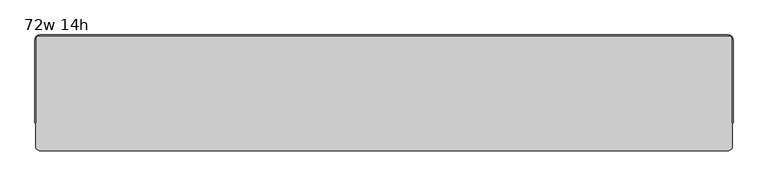
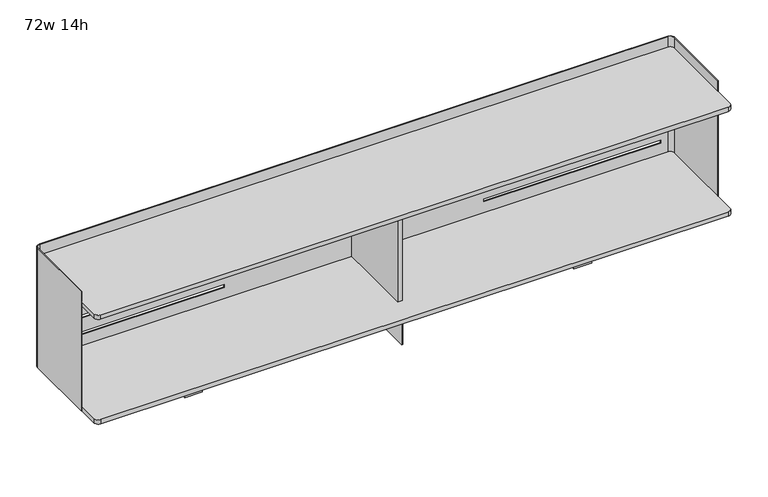
"""IFC4 building model written with IfcOpenShell, lengths in millimetres: furniture geometry, 72w 14h."""

from ifc_helpers import new_model, si_unit, point, frame, frame_2d, origin, place, context, project, spatial, polyline, circle_curve, trimmed, segment, composite_curve, outline, extrude, source, transform, mapped, element, save
from ifc_brep_helpers import plane_surface, cylinder_surface, revolved_surface, advanced_brep


def furniture_72w_14h_eeaef5ca(model_context):
    return source(origin(), model_context, "Body", "SolidModel", [
        extrude(outline(polyline([(6.35, 493.7125), (6.35, 265.1125), (-6.35, 265.1125), (-6.35, 493.7125), (6.35, 493.7125)])), frame((0.0, 0.0, 860.4250242), z_axis=(0.0, 0.0, 1.0), x_axis=(1.0, 0.0, 0.0)), (0.0, 0.0, 1.0), 305.387343),
        advanced_brep(
        [(-912.8125, 482.6, 1209.675), (-901.7, 493.7125, 1209.675), (901.7, 493.7125, 1209.675), (912.8125, 482.6, 1209.675), (912.8125, 265.1125, 1209.675), (914.4, 265.1125, 1209.675), (914.4, 482.6, 1209.675), (901.7, 495.3, 1209.675), (-901.7, 495.3, 1209.675), (-914.4, 482.6, 1209.675), (-914.4, 265.1125, 1209.675), (-912.8125, 265.1125, 1209.675), (-912.8125, 482.6, 847.725), (-912.8125, 265.1125, 847.725), (-914.4, 265.1125, 847.725), (-914.4, 482.6, 847.725), (-901.7, 495.3, 847.725), (901.7, 495.3, 847.725), (914.4, 482.6, 847.725), (914.4, 265.1125, 847.725), (912.8125, 265.1125, 847.725), (912.8125, 482.6, 847.725), (901.7, 493.7125, 847.725), (-901.7, 493.7125, 847.725), (880.3639961, 493.7125, 902.4144186), (880.3639961, 493.7125, 894.1593992), (372.3639961, 493.7125, 894.1593992), (372.3639961, 493.7125, 902.4144186), (880.3639961, 493.7125, 1004.0143944), (880.3639961, 493.7125, 995.759375), (372.3639961, 493.7125, 995.759375), (372.3639961, 493.7125, 1004.0143944), (880.3639961, 493.7125, 953.2144065), (880.3639961, 493.7125, 944.9593871), (372.3639961, 493.7125, 944.9593871), (372.3639961, 493.7125, 953.2144065), (-880.3639961, 493.7125, 894.1593992), (-880.3639961, 493.7125, 902.4144186), (-372.3639961, 493.7125, 902.4144186), (-372.3639961, 493.7125, 894.1593992), (-880.3639961, 493.7125, 995.759375), (-880.3639961, 493.7125, 1004.0143944), (-372.3639961, 493.7125, 1004.0143944), (-372.3639961, 493.7125, 995.759375), (-880.3639961, 493.7125, 944.9593871), (-880.3639961, 493.7125, 953.2144065), (-372.3639961, 493.7125, 953.2144065), (-372.3639961, 493.7125, 944.9593871), (880.3639961, 495.3, 894.1593992), (880.3639961, 495.3, 902.4144186), (372.3639961, 495.3, 902.4144186), (372.3639961, 495.3, 894.1593992), (880.3639961, 495.3, 995.759375), (880.3639961, 495.3, 1004.0143944), (372.3639961, 495.3, 1004.0143944), (372.3639961, 495.3, 995.759375), (880.3639961, 495.3, 944.9593871), (880.3639961, 495.3, 953.2144065), (372.3639961, 495.3, 953.2144065), (372.3639961, 495.3, 944.9593871), (-880.3639961, 495.3, 902.4144186), (-880.3639961, 495.3, 894.1593992), (-372.3639961, 495.3, 894.1593992), (-372.3639961, 495.3, 902.4144186), (-880.3639961, 495.3, 1004.0143944), (-880.3639961, 495.3, 995.759375), (-372.3639961, 495.3, 995.759375), (-372.3639961, 495.3, 1004.0143944), (-880.3639961, 495.3, 953.2144065), (-880.3639961, 495.3, 944.9593871), (-372.3639961, 495.3, 944.9593871), (-372.3639961, 495.3, 953.2144065)],
        [
            (0, 1, circle_curve(frame((-901.7, 482.6, 1209.675), z_axis=(0.0, 0.0, -1.0), x_axis=(1.0, 0.0, 0.0)), 11.1125)),
            (1, 2),
            (2, 3, circle_curve(frame((901.7, 482.6, 1209.675), z_axis=(0.0, 0.0, -1.0), x_axis=(1.0, 0.0, 0.0)), 11.1125)),
            (3, 4),
            (4, 5),
            (5, 6),
            (6, 7, circle_curve(frame((901.7, 482.6, 1209.675), z_axis=(0.0, 0.0, 1.0), x_axis=(1.0, 0.0, 0.0)), 12.7)),
            (7, 8),
            (8, 9, circle_curve(frame((-901.7, 482.6, 1209.675), z_axis=(0.0, 0.0, 1.0), x_axis=(1.0, 0.0, 0.0)), 12.7)),
            (9, 10),
            (10, 11),
            (11, 0),
            (12, 13),
            (13, 14),
            (14, 15),
            (15, 16, circle_curve(frame((-901.7, 482.6, 847.725), z_axis=(0.0, 0.0, -1.0), x_axis=(1.0, 0.0, 0.0)), 12.7)),
            (16, 17),
            (17, 18, circle_curve(frame((901.7, 482.6, 847.725), z_axis=(0.0, 0.0, -1.0), x_axis=(1.0, 0.0, 0.0)), 12.7)),
            (18, 19),
            (19, 20),
            (20, 21),
            (21, 22, circle_curve(frame((901.7, 482.6, 847.725), z_axis=(0.0, 0.0, 1.0), x_axis=(1.0, 0.0, 0.0)), 11.1125)),
            (22, 23),
            (23, 12, circle_curve(frame((-901.7, 482.6, 847.725), z_axis=(0.0, 0.0, 1.0), x_axis=(1.0, 0.0, 0.0)), 11.1125)),
            (0, 12),
            (23, 1),
            (22, 2),
            (24, 25),
            (25, 26),
            (26, 27),
            (27, 24),
            (28, 29),
            (29, 30),
            (30, 31),
            (31, 28),
            (32, 33),
            (33, 34),
            (34, 35),
            (35, 32),
            (36, 37),
            (37, 38),
            (38, 39),
            (39, 36),
            (40, 41),
            (41, 42),
            (42, 43),
            (43, 40),
            (44, 45),
            (45, 46),
            (46, 47),
            (47, 44),
            (7, 17),
            (16, 8),
            (48, 49),
            (49, 50),
            (50, 51),
            (51, 48),
            (52, 53),
            (53, 54),
            (54, 55),
            (55, 52),
            (56, 57),
            (57, 58),
            (58, 59),
            (59, 56),
            (60, 61),
            (61, 62),
            (62, 63),
            (63, 60),
            (64, 65),
            (65, 66),
            (66, 67),
            (67, 64),
            (68, 69),
            (69, 70),
            (70, 71),
            (71, 68),
            (15, 9),
            (14, 10),
            (13, 11),
            (21, 3),
            (20, 4),
            (19, 5),
            (18, 6),
            (24, 49),
            (48, 25),
            (51, 26),
            (50, 27),
            (28, 53),
            (52, 29),
            (55, 30),
            (54, 31),
            (32, 57),
            (56, 33),
            (59, 34),
            (58, 35),
            (36, 61),
            (60, 37),
            (39, 62),
            (38, 63),
            (40, 65),
            (64, 41),
            (43, 66),
            (42, 67),
            (44, 69),
            (68, 45),
            (47, 70),
            (46, 71),
        ],
        [
            plane_surface(frame((-890.5875, 482.6, 1209.675), z_axis=(0.0, 0.0, 1.0), x_axis=(0.0, -1.0, 0.0))),
            plane_surface(frame((-890.5875, 482.6, 847.725), z_axis=(0.0, 0.0, -1.0), x_axis=(0.0, 1.0, 0.0))),
            revolved_surface(polyline([(-890.5875000000001, 482.6, 847.725), (-890.5875000000001, 482.6, 1209.675)]), (-901.7, 482.6, 847.725), (0.0, 0.0, -1.0)),
            plane_surface(frame((-901.7, 493.7125, 1209.675), z_axis=(0.0, -1.0, 0.0), x_axis=(0.0, 0.0, -1.0))),
            plane_surface(frame((901.7, 495.3, 1209.675), z_axis=(0.0, 1.0, 0.0), x_axis=(0.0, 0.0, -1.0))),
            cylinder_surface(frame((-901.7, 482.6, 847.725), z_axis=(0.0, 0.0, 1.0), x_axis=(1.0, 0.0, 0.0)), 12.7),
            plane_surface(frame((-914.4, 482.6, 1209.675), z_axis=(-1.0, 0.0, 0.0), x_axis=(0.0, 0.0, -1.0))),
            plane_surface(frame((-914.4, 265.1125, 1209.675), z_axis=(0.0, -1.0, 0.0), x_axis=(0.0, 0.0, -1.0))),
            plane_surface(frame((-912.8125, 265.1125, 1209.675), z_axis=(1.0, 0.0, 0.0), x_axis=(0.0, 0.0, -1.0))),
            revolved_surface(polyline([(912.8125, 482.6, 847.725), (912.8125, 482.6, 1209.675)]), (901.7, 482.6, 847.725), (0.0, 0.0, -1.0)),
            plane_surface(frame((912.8125, 482.6, 1209.675), z_axis=(-1.0, 0.0, 0.0), x_axis=(0.0, 0.0, -1.0))),
            plane_surface(frame((912.8125, 265.1125, 1209.675), z_axis=(0.0, -1.0, 0.0), x_axis=(0.0, 0.0, -1.0))),
            plane_surface(frame((914.4, 265.1125, 1209.675), z_axis=(1.0, 0.0, 0.0), x_axis=(0.0, 0.0, -1.0))),
            cylinder_surface(frame((901.7, 482.6, 847.725), z_axis=(0.0, 0.0, 1.0), x_axis=(1.0, 0.0, 0.0)), 12.7),
            plane_surface(frame((880.3639961, 553.8218239, 902.4144186), z_axis=(-1.0, 0.0, 0.0), x_axis=(0.0, -1.0, 0.0))),
            plane_surface(frame((880.3639961, 553.8218239, 894.1593992), z_axis=(0.0, 0.0, 1.0), x_axis=(0.0, -1.0, 0.0))),
            plane_surface(frame((372.3639961, 553.8218239, 894.1593992), z_axis=(1.0, 0.0, 0.0), x_axis=(0.0, -1.0, 0.0))),
            plane_surface(frame((372.3639961, 553.8218239, 902.4144186), z_axis=(0.0, 0.0, -1.0), x_axis=(0.0, -1.0, 0.0))),
            plane_surface(frame((880.3639961, 553.8218239, 1004.0143944), z_axis=(-1.0, 0.0, 0.0), x_axis=(0.0, -1.0, 0.0))),
            plane_surface(frame((880.3639961, 553.8218239, 995.759375), z_axis=(0.0, 0.0, 1.0), x_axis=(0.0, -1.0, 0.0))),
            plane_surface(frame((372.3639961, 553.8218239, 995.759375), z_axis=(1.0, 0.0, 0.0), x_axis=(0.0, -1.0, 0.0))),
            plane_surface(frame((372.3639961, 553.8218239, 1004.0143944), z_axis=(0.0, 0.0, -1.0), x_axis=(0.0, -1.0, 0.0))),
            plane_surface(frame((880.3639961, 553.8218239, 953.2144065), z_axis=(-1.0, 0.0, 0.0), x_axis=(0.0, -1.0, 0.0))),
            plane_surface(frame((880.3639961, 553.8218239, 944.9593871), z_axis=(0.0, 0.0, 1.0), x_axis=(0.0, -1.0, 0.0))),
            plane_surface(frame((372.3639961, 553.8218239, 944.9593871), z_axis=(1.0, 0.0, 0.0), x_axis=(0.0, -1.0, 0.0))),
            plane_surface(frame((372.3639961, 553.8218239, 953.2144065), z_axis=(0.0, 0.0, -1.0), x_axis=(0.0, -1.0, 0.0))),
            plane_surface(frame((-880.3639961, 553.8218239, 894.1593992), z_axis=(1.0, 0.0, 0.0), x_axis=(0.0, -1.0, 0.0))),
            plane_surface(frame((-372.3639961, 553.8218239, 894.1593992), z_axis=(0.0, 0.0, 1.0), x_axis=(0.0, -1.0, 0.0))),
            plane_surface(frame((-372.3639961, 553.8218239, 902.4144186), z_axis=(-1.0, 0.0, 0.0), x_axis=(0.0, -1.0, 0.0))),
            plane_surface(frame((-880.3639961, 553.8218239, 902.4144186), z_axis=(0.0, 0.0, -1.0), x_axis=(0.0, -1.0, 0.0))),
            plane_surface(frame((-880.3639961, 553.8218239, 995.759375), z_axis=(1.0, 0.0, 0.0), x_axis=(0.0, -1.0, 0.0))),
            plane_surface(frame((-372.3639961, 553.8218239, 995.759375), z_axis=(0.0, 0.0, 1.0), x_axis=(0.0, -1.0, 0.0))),
            plane_surface(frame((-372.3639961, 553.8218239, 1004.0143944), z_axis=(-1.0, 0.0, 0.0), x_axis=(0.0, -1.0, 0.0))),
            plane_surface(frame((-880.3639961, 553.8218239, 1004.0143944), z_axis=(0.0, 0.0, -1.0), x_axis=(0.0, -1.0, 0.0))),
            plane_surface(frame((-880.3639961, 553.8218239, 944.9593871), z_axis=(1.0, 0.0, 0.0), x_axis=(0.0, -1.0, 0.0))),
            plane_surface(frame((-372.3639961, 553.8218239, 944.9593871), z_axis=(0.0, 0.0, 1.0), x_axis=(0.0, -1.0, 0.0))),
            plane_surface(frame((-372.3639961, 553.8218239, 953.2144065), z_axis=(-1.0, 0.0, 0.0), x_axis=(0.0, -1.0, 0.0))),
            plane_surface(frame((-880.3639961, 553.8218239, 953.2144065), z_axis=(0.0, 0.0, -1.0), x_axis=(0.0, -1.0, 0.0))),
        ],
        [
            (0, [[1, 2, 3, 4, 5, 6, 7, 8, 9, 10, 11, 12]]),
            (1, [[13, 14, 15, 16, 17, 18, 19, 20, 21, 22, 23, 24]]),
            (2, [[-1, 25, -24, 26]]),
            (3, [[-2, -26, -23, 27], [28, 29, 30, 31], [32, 33, 34, 35], [36, 37, 38, 39], [40, 41, 42, 43], [44, 45, 46, 47], [48, 49, 50, 51]]),
            (4, [[-8, 52, -17, 53], [54, 55, 56, 57], [58, 59, 60, 61], [62, 63, 64, 65], [66, 67, 68, 69], [70, 71, 72, 73], [74, 75, 76, 77]]),
            (5, [[-9, -53, -16, 78]]),
            (6, [[-10, -78, -15, 79]]),
            (7, [[-11, -79, -14, 80]]),
            (8, [[-12, -80, -13, -25]]),
            (9, [[-3, -27, -22, 81]]),
            (10, [[-4, -81, -21, 82]]),
            (11, [[-5, -82, -20, 83]]),
            (12, [[-6, -83, -19, 84]]),
            (13, [[-7, -84, -18, -52]]),
            (14, [[85, -54, 86, -28]]),
            (15, [[-86, -57, 87, -29]]),
            (16, [[-87, -56, 88, -30]]),
            (17, [[-85, -31, -88, -55]]),
            (18, [[89, -58, 90, -32]]),
            (19, [[-90, -61, 91, -33]]),
            (20, [[-91, -60, 92, -34]]),
            (21, [[-89, -35, -92, -59]]),
            (22, [[93, -62, 94, -36]]),
            (23, [[-94, -65, 95, -37]]),
            (24, [[-95, -64, 96, -38]]),
            (25, [[-93, -39, -96, -63]]),
            (26, [[97, -66, 98, -40]]),
            (27, [[-97, -43, 99, -67]]),
            (28, [[-99, -42, 100, -68]]),
            (29, [[-100, -41, -98, -69]]),
            (30, [[101, -70, 102, -44]]),
            (31, [[-101, -47, 103, -71]]),
            (32, [[-103, -46, 104, -72]]),
            (33, [[-104, -45, -102, -73]]),
            (34, [[105, -74, 106, -48]]),
            (35, [[-105, -51, 107, -75]]),
            (36, [[-107, -50, 108, -76]]),
            (37, [[-108, -49, -106, -77]]),
        ],
    ),
        extrude(outline(polyline([(-533.4, 361.95), (-533.4, 323.453125), (-584.2, 323.453125), (-584.2, 361.95), (-533.4, 361.95)])), frame((0.0, 0.0, 736.6), z_axis=(0.0, 0.0, 1.0), x_axis=(1.0, 0.0, 0.0)), (0.0, 0.0, 1.0), 111.125),
        extrude(outline(polyline([(533.4, 361.95), (584.2, 361.95), (584.2, 323.453125), (533.4, 323.453125), (533.4, 361.95)])), frame((0.0, 0.0, 736.6), z_axis=(0.0, 0.0, 1.0), x_axis=(1.0, 0.0, 0.0)), (0.0, 0.0, 1.0), 111.125),
        extrude(outline(polyline([(1.5875, 433.3841935), (1.5875, 252.4158065), (-1.5875, 252.4158065), (-1.5875, 433.3841935), (1.5875, 433.3841935)])), frame((0.0, 0.0, 736.6), z_axis=(0.0, 0.0, 1.0), x_axis=(1.0, 0.0, 0.0)), (0.0, 0.0, 1.0), 111.125),
        extrude(outline(composite_curve([segment(trimmed(circle_curve(frame_2d((900.1125, 481.0125)), 12.7), [point((900.1125, 493.7125))], [point((912.8125, 481.0125))], False, "CARTESIAN"), True, "CONTINUOUS"), segment(polyline([(912.8125, 481.0125), (912.8125, 204.7875)]), True, "CONTINUOUS"), segment(trimmed(circle_curve(frame_2d((900.1125, 204.7875)), 12.7), [point((912.8125, 204.7875))], [point((900.1125, 192.0875))], False, "CARTESIAN"), True, "CONTINUOUS"), segment(polyline([(900.1125, 192.0875), (-900.1125, 192.0875)]), True, "CONTINUOUS"), segment(trimmed(circle_curve(frame_2d((-900.1125, 204.7875)), 12.7), [point((-900.1125, 192.0875))], [point((-912.8125, 204.7875))], False, "CARTESIAN"), True, "CONTINUOUS"), segment(polyline([(-912.8125, 204.7875), (-912.8125, 481.0125)]), True, "CONTINUOUS"), segment(trimmed(circle_curve(frame_2d((-900.1125, 481.0125)), 12.7), [point((-912.8125, 481.0125))], [point((-900.1125, 493.7125))], False, "CARTESIAN"), True, "CONTINUOUS"), segment(polyline([(-900.1125, 493.7125), (900.1125, 493.7125)]), True, "CONTINUOUS")], self_intersect=False)), frame((0.0, 0.0, 1165.8123672), z_axis=(0.0, 0.0, 1.0), x_axis=(1.0, 0.0, 0.0)), (0.0, 0.0, 1.0), 12.7000242),
        extrude(outline(composite_curve([segment(trimmed(circle_curve(frame_2d((900.1125, 481.0125)), 12.7), [point((900.1125, 493.7125))], [point((912.8125, 481.0125))], False, "CARTESIAN"), True, "CONTINUOUS"), segment(polyline([(912.8125, 481.0125), (912.8125, 204.7875)]), True, "CONTINUOUS"), segment(trimmed(circle_curve(frame_2d((900.1125, 204.7875)), 12.7), [point((912.8125, 204.7875))], [point((900.1125, 192.0875))], False, "CARTESIAN"), True, "CONTINUOUS"), segment(polyline([(900.1125, 192.0875), (-900.1125, 192.0875)]), True, "CONTINUOUS"), segment(trimmed(circle_curve(frame_2d((-900.1125, 204.7875)), 12.7), [point((-900.1125, 192.0875))], [point((-912.8125, 204.7875))], False, "CARTESIAN"), True, "CONTINUOUS"), segment(polyline([(-912.8125, 204.7875), (-912.8125, 481.0125)]), True, "CONTINUOUS"), segment(trimmed(circle_curve(frame_2d((-900.1125, 481.0125)), 12.7), [point((-912.8125, 481.0125))], [point((-900.1125, 493.7125))], False, "CARTESIAN"), True, "CONTINUOUS"), segment(polyline([(-900.1125, 493.7125), (900.1125, 493.7125)]), True, "CONTINUOUS")], self_intersect=False)), frame((0.0, 0.0, 847.725), z_axis=(0.0, 0.0, 1.0), x_axis=(1.0, 0.0, 0.0)), (0.0, 0.0, 1.0), 12.7000242),
    ])


if __name__ == "__main__":
    model = new_model("IFC4")
    model_context = context("Model", 3, world=origin())
    ifc_project = project(units=[si_unit("LENGTHUNIT", "METRE", prefix="MILLI")], contexts=[model_context])
    site = spatial("IfcSite", under=ifc_project)
    building = spatial("IfcBuilding", under=site)
    placement = place(None, origin())
    furniture_72w_14h_shape = furniture_72w_14h_eeaef5ca(model_context)
    element("IfcFurniture", 1, ObjectType="72w 14h", at=placement, inside=building, context=model_context, shape_type="MappedRepresentation", body=[
        mapped(furniture_72w_14h_shape, transform((0.0, 0.0, 0.0), x_axis=(1.0, 0.0, 0.0), y_axis=(0.0, 1.0, 0.0), z_axis=(0.0, 0.0, 1.0))),
    ])
    save(model, "model.ifc")
